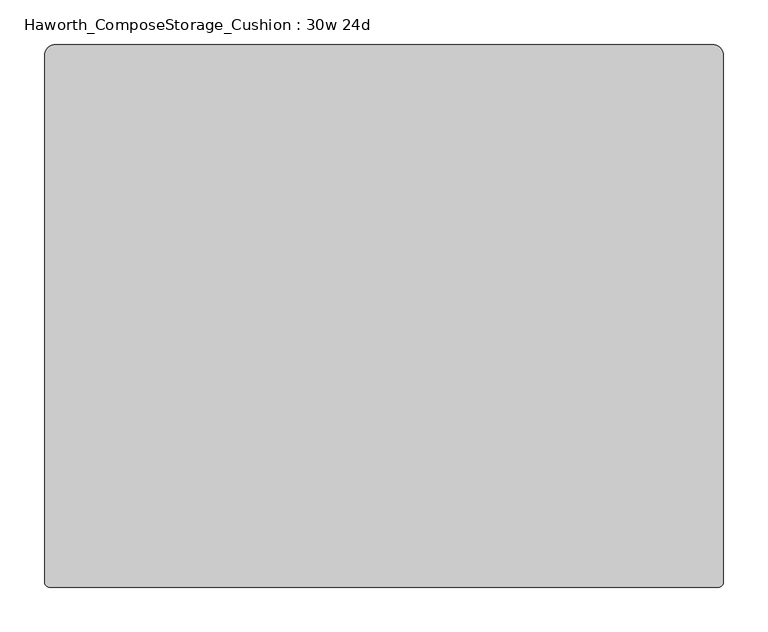
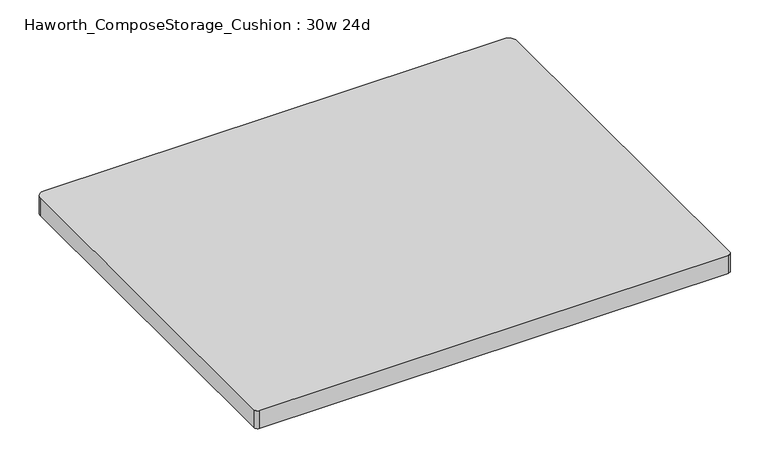
"""IFC4 building model written with IfcOpenShell, lengths in millimetres: furniture geometry, Haworth_ComposeStorage_Cushion : 30w 24d."""

from ifc_helpers import new_model, si_unit, point, frame, frame_2d, origin, place, context, project, spatial, polyline, circle_curve, trimmed, segment, composite_curve, outline, extrude, source, transform, mapped, element, save


def haworth_composestorage_cushion_30w_24d_4035f5c3(model_context):
    return source(origin(), model_context, "Body", "SweptSolid", [
        extrude(outline(composite_curve([segment(trimmed(circle_curve(frame_2d((368.3, 292.1)), 12.7), [point((368.3, 304.8))], [point((381.0, 292.1))], False, "CARTESIAN"), True, "CONTINUOUS"), segment(polyline([(381.0, 292.1), (381.0, -298.8870224)]), True, "CONTINUOUS"), segment(trimmed(circle_curve(frame_2d((375.0870224, -298.8870224)), 5.9129776), [point((381.0, -298.8870224))], [point((375.0870224, -304.8))], False, "CARTESIAN"), True, "CONTINUOUS"), segment(polyline([(375.0870224, -304.8), (-375.0870224, -304.8)]), True, "CONTINUOUS"), segment(trimmed(circle_curve(frame_2d((-375.0870224, -298.8870224)), 5.9129776), [point((-375.0870224, -304.8))], [point((-381.0, -298.8870224))], False, "CARTESIAN"), True, "CONTINUOUS"), segment(polyline([(-381.0, -298.8870224), (-381.0, 292.1)]), True, "CONTINUOUS"), segment(trimmed(circle_curve(frame_2d((-368.3, 292.1)), 12.7), [point((-381.0, 292.1))], [point((-368.3, 304.8))], False, "CARTESIAN"), True, "CONTINUOUS"), segment(polyline([(-368.3, 304.8), (368.3, 304.8)]), True, "CONTINUOUS")], self_intersect=False)), frame((0.0, 0.0, 609.6), z_axis=(0.0, 0.0, 1.0), x_axis=(1.0, 0.0, 0.0)), (0.0, 0.0, 1.0), 30.1625),
    ])


if __name__ == "__main__":
    model = new_model("IFC4")
    model_context = context("Model", 3, world=origin())
    ifc_project = project(units=[si_unit("LENGTHUNIT", "METRE", prefix="MILLI")], contexts=[model_context])
    site = spatial("IfcSite", under=ifc_project)
    building = spatial("IfcBuilding", under=site)
    placement = place(None, origin())
    haworth_composestorage_cushion_30w_24d_shape = haworth_composestorage_cushion_30w_24d_4035f5c3(model_context)
    element("IfcFurniture", 1, ObjectType="Haworth_ComposeStorage_Cushion : 30w 24d", at=placement, inside=building, context=model_context, shape_type="MappedRepresentation", body=[
        mapped(haworth_composestorage_cushion_30w_24d_shape, transform((0.0, 0.0, 0.0), x_axis=(1.0, 0.0, 0.0), y_axis=(0.0, 1.0, 0.0), z_axis=(0.0, 0.0, 1.0))),
    ])
    save(model, "model.ifc")
